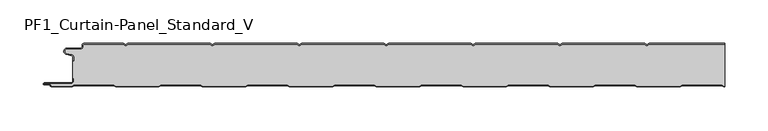
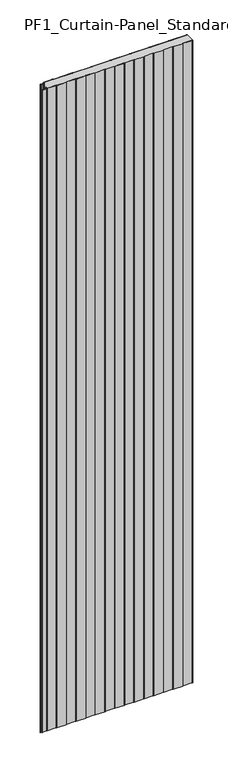
"""IFC4 building model written with IfcOpenShell, lengths in millimetres: plate geometry, PF1_Curtain-Panel_Standard_V."""

from ifc_helpers import new_model, si_unit, point, frame_2d, origin, origin_with_axes, place, context, project, spatial, polyline, circle_curve, trimmed, segment, composite_curve, outline, extrude, source, transform, mapped, element, save


def pf1_curtain_panel_standard_v_ce2bddd1(model_context):
    return source(origin(), model_context, "Body", "SweptSolid", [
        extrude(outline(composite_curve([segment(trimmed(circle_curve(frame_2d((-377.0119739, -15.878557)), 2.0), [point((-375.0119739, -15.878557))], [point((-376.5620718, -13.9298169))], True, "CARTESIAN"), True, "CONTINUOUS"), segment(polyline([(-376.5620718, -13.9298169), (-382.7217978, -12.507732)]), True, "CONTINUOUS"), segment(trimmed(circle_curve(frame_2d((-381.9119739, -9.0)), 3.6), [point((-382.7217978, -12.507732))], [point((-381.9119739, -5.4))], False, "CARTESIAN"), True, "CONTINUOUS"), segment(polyline([(-381.9119739, -5.4), (-366.4119739, -5.4)]), True, "CONTINUOUS"), segment(trimmed(circle_curve(frame_2d((-366.4119739, -3.4)), 2.0), [point((-366.4119739, -5.4))], [point((-364.4119739, -3.4))], True, "CARTESIAN"), True, "CONTINUOUS"), segment(polyline([(-364.4119739, -3.4), (-364.4119739, -2.0)]), True, "CONTINUOUS"), segment(trimmed(circle_curve(frame_2d((-362.4119739, -2.0)), 2.0), [point((-364.4119739, -2.0))], [point((-362.4119739, 0.0))], False, "CARTESIAN"), True, "CONTINUOUS"), segment(polyline([(-362.4119739, 0.0), (-317.1119734, 0.0), (-314.4119739, -1.5588455), (-311.7119745, 0.0), (-217.1119734, 0.0), (-214.4119739, -1.5588455), (-211.7119745, 0.0), (-117.1119734, 0.0), (-114.4119739, -1.5588455), (-111.7119745, 0.0), (-17.1119734, 0.0), (-14.4119739, -1.5588455), (-11.7119745, 0.0), (82.8880266, 0.0), (85.5880261, -1.5588455), (88.2880255, 0.0), (182.8880266, 0.0), (185.5880261, -1.5588455), (188.2880255, 0.0), (282.8880266, 0.0), (285.5880261, -1.5588455), (288.2880255, 0.0), (375.0119739, 0.0), (375.0119739, -0.8), (288.5023849, -0.8), (285.5880261, -2.482606), (282.6736672, -0.8), (188.5023849, -0.8), (185.5880261, -2.482606), (182.6736672, -0.8), (88.5023849, -0.8), (85.5880261, -2.482606), (82.6736672, -0.8), (-11.4976151, -0.8), (-14.4119739, -2.482606), (-17.3263328, -0.8), (-111.4976151, -0.8), (-114.4119739, -2.482606), (-117.3263328, -0.8), (-211.4976151, -0.8), (-214.4119739, -2.482606), (-217.3263328, -0.8), (-311.4976151, -0.8), (-314.4119739, -2.482606), (-317.3263328, -0.8), (-362.4119739, -0.8)]), True, "CONTINUOUS"), segment(trimmed(circle_curve(frame_2d((-362.4119739, -2.0)), 1.2), [point((-362.4119739, -0.8))], [point((-363.6119739, -2.0))], True, "CARTESIAN"), True, "CONTINUOUS"), segment(polyline([(-363.6119739, -2.0), (-363.6119739, -3.4)]), True, "CONTINUOUS"), segment(trimmed(circle_curve(frame_2d((-366.4119739, -3.4)), 2.8), [point((-363.6119739, -3.4))], [point((-366.4119739, -6.2))], False, "CARTESIAN"), True, "CONTINUOUS"), segment(polyline([(-366.4119739, -6.2), (-381.9119739, -6.2)]), True, "CONTINUOUS"), segment(trimmed(circle_curve(frame_2d((-381.9119739, -9.0)), 2.8), [point((-381.9119739, -6.2))], [point((-382.541837, -11.7282362))], True, "CARTESIAN"), True, "CONTINUOUS"), segment(polyline([(-382.541837, -11.7282362), (-376.3821109, -13.150321)]), True, "CONTINUOUS"), segment(trimmed(circle_curve(frame_2d((-377.0119739, -15.878557)), 2.8), [point((-376.3821109, -13.150321))], [point((-374.2119739, -15.878557))], False, "CARTESIAN"), True, "CONTINUOUS"), segment(polyline([(-374.2119739, -15.878557), (-374.2119739, -20.0), (-375.0119739, -20.0), (-375.0119739, -15.878557)]), True, "CONTINUOUS")], self_intersect=False)), origin_with_axes(), (0.0, 0.0, 1.0), 3500.0),
        extrude(outline(composite_curve([segment(polyline([(-374.2119739, -40.0), (-375.0119739, -40.0), (-375.0119739, -20.0), (-374.2119739, -20.0), (-374.2119739, -15.878557)]), True, "CONTINUOUS"), segment(trimmed(circle_curve(frame_2d((-377.0119739, -15.878557)), 2.8), [point((-374.2119739, -15.878557))], [point((-376.3821109, -13.1503208))], True, "CARTESIAN"), True, "CONTINUOUS"), segment(polyline([(-376.3821109, -13.1503208), (-382.5418369, -11.728236)]), True, "CONTINUOUS"), segment(trimmed(circle_curve(frame_2d((-381.9119739, -9.0)), 2.8), [point((-382.5418369, -11.728236))], [point((-381.9119739, -6.2))], False, "CARTESIAN"), True, "CONTINUOUS"), segment(polyline([(-381.9119739, -6.2), (-366.4119739, -6.2)]), True, "CONTINUOUS"), segment(trimmed(circle_curve(frame_2d((-366.4119739, -3.4)), 2.8), [point((-366.4119739, -6.2))], [point((-363.6119739, -3.4))], True, "CARTESIAN"), True, "CONTINUOUS"), segment(polyline([(-363.6119739, -3.4), (-363.6119739, -2.0)]), True, "CONTINUOUS"), segment(trimmed(circle_curve(frame_2d((-362.4119739, -2.0)), 1.2), [point((-363.6119739, -2.0))], [point((-362.4119739, -0.8))], False, "CARTESIAN"), True, "CONTINUOUS"), segment(polyline([(-362.4119739, -0.8), (-317.3263328, -0.8), (-314.4119739, -2.482606), (-311.4976151, -0.8), (-217.3263328, -0.8), (-214.4119739, -2.482606), (-211.4976151, -0.8), (-117.3263328, -0.8), (-114.4119739, -2.482606), (-111.4976151, -0.8), (-17.3263328, -0.8), (-14.4119739, -2.482606), (-11.4976151, -0.8), (82.6736672, -0.8), (85.5880261, -2.482606), (88.5023849, -0.8), (182.6736672, -0.8), (185.5880261, -2.482606), (188.5023849, -0.8), (282.6736672, -0.8), (285.5880261, -2.482606), (288.5023849, -0.8), (375.0119739, -0.8), (375.0119739, -49.2), (374.2032822, -49.2), (371.6052046, -47.7), (326.3764885, -47.7), (323.7784109, -49.2), (274.2032822, -49.2), (271.6052046, -47.7), (226.3764885, -47.7), (223.7784109, -49.2), (174.2032822, -49.2), (171.6052046, -47.7), (126.3764885, -47.7), (123.7784109, -49.2), (74.2032822, -49.2), (71.6052046, -47.7), (26.3764885, -47.7), (23.7784109, -49.2), (-25.7967178, -49.2), (-28.3947954, -47.7), (-73.6235115, -47.7), (-76.2215891, -49.2), (-125.7967178, -49.2), (-128.3947954, -47.7), (-173.6235115, -47.7), (-176.2215891, -49.2), (-225.7967178, -49.2), (-228.3947954, -47.7), (-273.6235115, -47.7), (-276.2215891, -49.2), (-325.7967178, -49.2), (-328.3947954, -47.7), (-373.6235115, -47.7), (-376.2215891, -49.2), (-399.4119739, -49.2)]), True, "CONTINUOUS"), segment(trimmed(circle_curve(frame_2d((-399.4119739, -48.4)), 0.8), [point((-399.4119739, -49.2))], [point((-400.2119739, -48.4))], False, "CARTESIAN"), True, "CONTINUOUS"), segment(trimmed(circle_curve(frame_2d((-401.9119739, -48.6133333)), 1.7133333), [point((-400.2119739, -48.4))], [point((-401.9119739, -46.9))], True, "CARTESIAN"), True, "CONTINUOUS"), segment(polyline([(-401.9119739, -46.9), (-407.8820051, -46.9)]), True, "CONTINUOUS"), segment(trimmed(circle_curve(frame_2d((-407.8820051, -46.6)), 0.3), [point((-407.8820051, -46.9))], [point((-407.8820051, -46.3))], False, "CARTESIAN"), True, "CONTINUOUS"), segment(polyline([(-407.8820051, -46.3), (-377.0119739, -46.3)]), True, "CONTINUOUS"), segment(trimmed(circle_curve(frame_2d((-377.0119739, -43.5)), 2.8), [point((-377.0119739, -46.3))], [point((-374.2119739, -43.5))], True, "CARTESIAN"), True, "CONTINUOUS"), segment(polyline([(-374.2119739, -43.5), (-374.2119739, -40.0)]), True, "CONTINUOUS")], self_intersect=False)), origin_with_axes(), (0.0, 0.0, 1.0), 3500.0),
        extrude(outline(composite_curve([segment(polyline([(-375.0119739, -40.0), (-374.2119739, -40.0), (-374.2119739, -43.5)]), True, "CONTINUOUS"), segment(trimmed(circle_curve(frame_2d((-377.0119739, -43.5)), 2.8), [point((-374.2119739, -43.5))], [point((-377.0119739, -46.3))], False, "CARTESIAN"), True, "CONTINUOUS"), segment(polyline([(-377.0119739, -46.3), (-407.8820051, -46.3)]), True, "CONTINUOUS"), segment(trimmed(circle_curve(frame_2d((-407.8820051, -46.6)), 0.3), [point((-407.8820051, -46.3))], [point((-407.8820051, -46.9))], True, "CARTESIAN"), True, "CONTINUOUS"), segment(polyline([(-407.8820051, -46.9), (-401.9119739, -46.9)]), True, "CONTINUOUS"), segment(trimmed(circle_curve(frame_2d((-401.9119739, -48.6133333)), 1.7133333), [point((-401.9119739, -46.9))], [point((-400.2119739, -48.4))], False, "CARTESIAN"), True, "CONTINUOUS"), segment(trimmed(circle_curve(frame_2d((-399.4119739, -48.4)), 0.8), [point((-400.2119739, -48.4))], [point((-399.4119739, -49.2))], True, "CARTESIAN"), True, "CONTINUOUS"), segment(polyline([(-399.4119739, -49.2), (-376.2215891, -49.2), (-373.6235115, -47.7), (-328.3947954, -47.7), (-325.7967178, -49.2), (-276.2215891, -49.2), (-273.6235115, -47.7), (-228.3947954, -47.7), (-225.7967178, -49.2), (-176.2215891, -49.2), (-173.6235115, -47.7), (-128.3947954, -47.7), (-125.7967178, -49.2), (-76.2215891, -49.2), (-73.6235115, -47.7), (-28.3947954, -47.7), (-25.7967178, -49.2), (23.7784109, -49.2), (26.3764885, -47.7), (71.6052046, -47.7), (74.2032822, -49.2), (123.7784109, -49.2), (126.3764885, -47.7), (171.6052046, -47.7), (174.2032822, -49.2), (223.7784109, -49.2), (226.3764885, -47.7), (271.6052046, -47.7), (274.2032822, -49.2), (323.7784109, -49.2), (326.3764885, -47.7), (371.6052046, -47.7), (374.2032822, -49.2), (375.0119739, -49.2), (375.0119739, -50.0), (373.988923, -50.0), (371.3908454, -48.5), (326.5908477, -48.5), (323.9927701, -50.0), (273.988923, -50.0), (271.3908454, -48.5), (226.5908477, -48.5), (223.9927701, -50.0), (173.988923, -50.0), (171.3908454, -48.5), (126.5908477, -48.5), (123.9927701, -50.0), (73.988923, -50.0), (71.3908454, -48.5), (26.5908477, -48.5), (23.9927701, -50.0), (-26.011077, -50.0), (-28.6091546, -48.5), (-73.4091523, -48.5), (-76.0072299, -50.0), (-126.011077, -50.0), (-128.6091546, -48.5), (-173.4091523, -48.5), (-176.0072299, -50.0), (-226.011077, -50.0), (-228.6091546, -48.5), (-273.4091523, -48.5), (-276.0072299, -50.0), (-326.011077, -50.0), (-328.6091546, -48.5), (-373.4091523, -48.5), (-376.0072299, -50.0), (-399.4119739, -50.0)]), True, "CONTINUOUS"), segment(trimmed(circle_curve(frame_2d((-399.4119739, -48.4)), 1.6), [point((-399.4119739, -50.0))], [point((-401.0119739, -48.4))], False, "CARTESIAN"), True, "CONTINUOUS"), segment(trimmed(circle_curve(frame_2d((-401.9119739, -48.4)), 0.9), [point((-401.0119739, -48.4))], [point((-401.9119739, -47.5))], True, "CARTESIAN"), True, "CONTINUOUS"), segment(polyline([(-401.9119739, -47.5), (-408.0119739, -47.5)]), True, "CONTINUOUS"), segment(trimmed(circle_curve(frame_2d((-408.0119739, -46.5)), 1.0), [point((-408.0119739, -47.5))], [point((-408.0119739, -45.5))], False, "CARTESIAN"), True, "CONTINUOUS"), segment(polyline([(-408.0119739, -45.5), (-377.0119739, -45.5)]), True, "CONTINUOUS"), segment(trimmed(circle_curve(frame_2d((-377.0119739, -43.5)), 2.0), [point((-377.0119739, -45.5))], [point((-375.0119739, -43.5))], True, "CARTESIAN"), True, "CONTINUOUS"), segment(polyline([(-375.0119739, -43.5), (-375.0119739, -40.0)]), True, "CONTINUOUS")], self_intersect=False)), origin_with_axes(), (0.0, 0.0, 1.0), 3500.0),
    ])


if __name__ == "__main__":
    model = new_model("IFC4")
    model_context = context("Model", 3, world=origin())
    ifc_project = project(units=[si_unit("LENGTHUNIT", "METRE", prefix="MILLI")], contexts=[model_context])
    site = spatial("IfcSite", under=ifc_project)
    building = spatial("IfcBuilding", under=site)
    placement = place(None, origin())
    pf1_curtain_panel_standard_v_shape = pf1_curtain_panel_standard_v_ce2bddd1(model_context)
    element("IfcPlate", 1, ObjectType="PF1_Curtain-Panel_Standard_V", at=placement, inside=building, context=model_context, shape_type="MappedRepresentation", body=[
        mapped(pf1_curtain_panel_standard_v_shape, transform((0.0, 0.0, 0.0), x_axis=(1.0, 0.0, 0.0), y_axis=(0.0, 1.0, 0.0), z_axis=(0.0, 0.0, 1.0))),
    ])
    save(model, "model.ifc")
